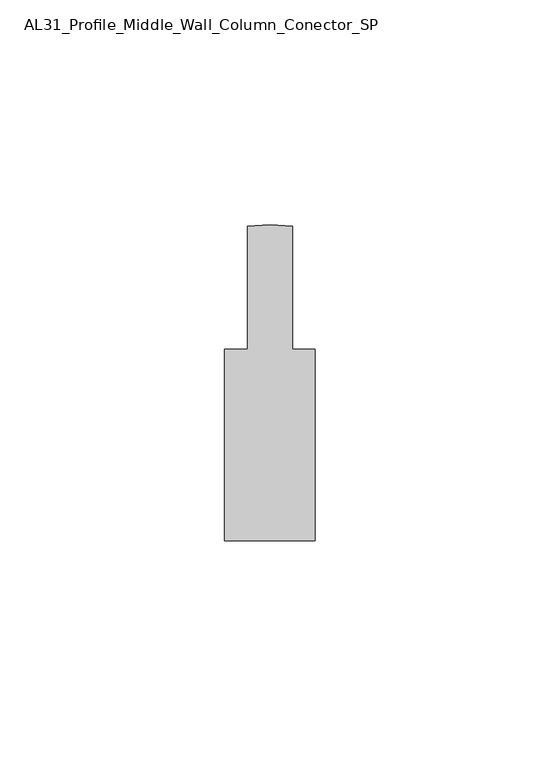
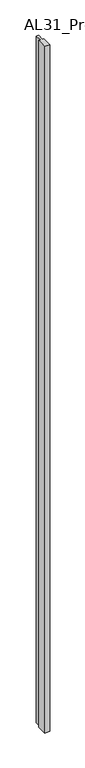
"""IFC4 building model written with IfcOpenShell, lengths in millimetres: member geometry, AL31_Profile_Middle_Wall_Column_Conector_SP."""

from ifc_helpers import new_model, si_unit, point, frame, frame_2d, origin, place, context, project, spatial, polyline, circle_curve, trimmed, segment, composite_curve, outline, extrude, source, transform, mapped, element, save


def al31_profile_middle_wall_column_conector_sp_1acbbfbf(model_context):
    return source(origin(), model_context, "Body", "SweptSolid", [
        extrude(outline(composite_curve([segment(polyline([(-10.0998979, -55.0499937), (-10.0998979, -12.3499946), (-4.9998991, -12.3499946), (-4.9998991, 15.0180889)]), True, "CONTINUOUS"), segment(trimmed(circle_curve(frame_2d((0.0116092, -22.6499982)), 38.0), [point((-4.9998991, 15.0180889))], [point((5.0001009, 15.0211439))], False, "CARTESIAN"), True, "CONTINUOUS"), segment(polyline([(5.0001009, 15.0211439), (5.0001009, -12.3499946), (10.1001021, -12.3499946), (10.1001021, -55.0499937), (-10.0998979, -55.0499937)]), True, "CONTINUOUS")], self_intersect=False)), frame((0.0, 0.0, -3000.0), z_axis=(0.0, 0.0, 1.0), x_axis=(1.0, 0.0, 0.0)), (0.0, 0.0, 1.0), 3000.0),
    ])


if __name__ == "__main__":
    model = new_model("IFC4")
    model_context = context("Model", 3, world=origin())
    ifc_project = project(units=[si_unit("LENGTHUNIT", "METRE", prefix="MILLI")], contexts=[model_context])
    site = spatial("IfcSite", under=ifc_project)
    building = spatial("IfcBuilding", under=site)
    placement = place(None, origin())
    al31_profile_middle_wall_column_conector_sp_shape = al31_profile_middle_wall_column_conector_sp_1acbbfbf(model_context)
    element("IfcMember", 1, ObjectType="AL31_Profile_Middle_Wall_Column_Conector_SP", at=placement, inside=building, context=model_context, shape_type="MappedRepresentation", body=[
        mapped(al31_profile_middle_wall_column_conector_sp_shape, transform((0.0, 0.0, 0.0), x_axis=(1.0, 0.0, 0.0), y_axis=(0.0, 1.0, 0.0), z_axis=(0.0, 0.0, 1.0))),
    ])
    save(model, "model.ifc")
